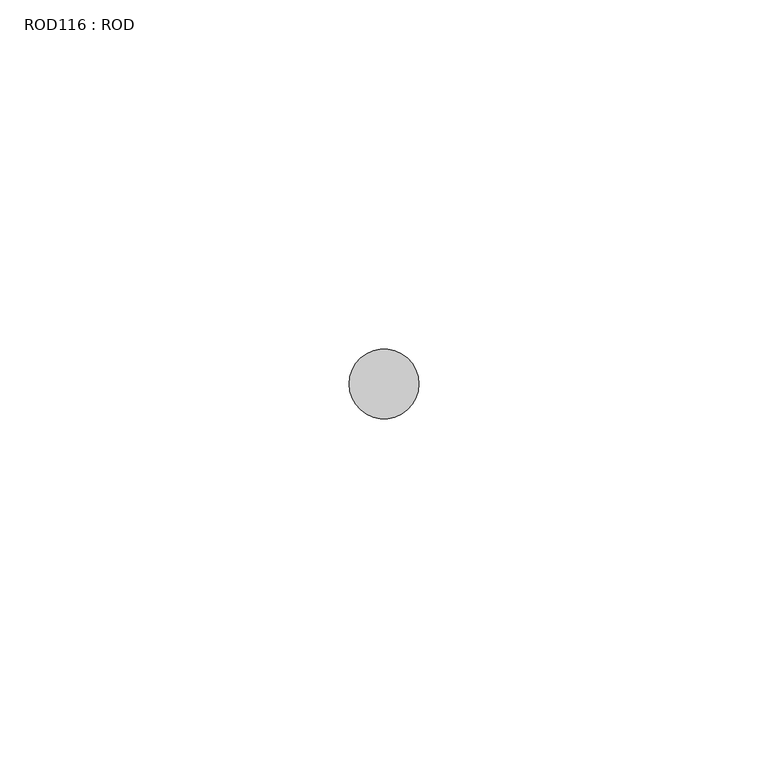
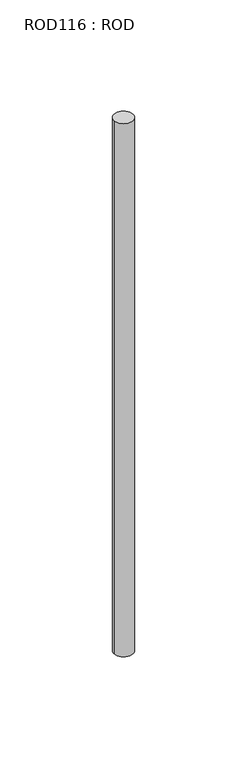
"""IFC4 building model written with IfcOpenShell, lengths in millimetres: proxy geometry, ROD116 : ROD."""

import ifcopenshell
import ifcopenshell.guid

model = None  # the IFC model being written
_history = None  # IfcOwnerHistory: only IFC2X3 demands one
_inside = {}  # id of a spatial element -> (the spatial element, [elements in it])
_under = {}  # id of a project, library or spatial element -> (it, [spatial elements below it])
_declared = {}  # id of a project -> (the project, [libraries it declares])
_typed = {}  # id of a type object -> (the type object, [elements of that type])
_made_of = {}  # id of a material, layer set ... -> (it, [elements and type objects made of it])


def new_model(schema):
    """Start an empty IFC model of exactly this schema.

    Asked for "IFC4X3", IfcOpenShell would pick the latest addendum, in which some entities
    have other attributes; the version numbers below select the first issue.
    IFC2X3 requires an IfcOwnerHistory on every rooted entity: one is made here for all.
    """
    global model, _history
    if schema == "IFC4X3":
        model = ifcopenshell.file(schema_version=(4, 3, 0, 0))
    else:
        model = ifcopenshell.file(schema=schema)
    _inside.clear()
    _under.clear()
    _declared.clear()
    _typed.clear()
    _made_of.clear()
    _history = None
    if model.schema == "IFC2X3":
        org = make("IfcOrganization", Name="unknown")
        user = make(
            "IfcPersonAndOrganization",
            ThePerson=make("IfcPerson", FamilyName="unknown"),
            TheOrganization=org,
        )
        app = make(
            "IfcApplication",
            ApplicationDeveloper=org,
            Version="unknown",
            ApplicationFullName="unknown",
            ApplicationIdentifier="unknown",
        )
        _history = make(
            "IfcOwnerHistory",
            OwningUser=user,
            OwningApplication=app,
            ChangeAction="ADDED",
            CreationDate=0,
        )
    return model


def make(cls, **values):
    """One entity of the class cls with the attributes given. An attribute that is None is left unset."""
    return model.create_entity(
        cls, **{name: value for name, value in values.items() if value is not None}
    )


def rooted(cls, **values):
    """An entity with a GlobalId (a new one), such as an element, a storey or a relation."""
    return make(cls, GlobalId=ifcopenshell.guid.new(), OwnerHistory=_history, **values)


def si_unit(unit_type, name, prefix=None):
    """IfcSIUnit, for example si_unit("LENGTHUNIT", "METRE", prefix="MILLI")."""
    return make("IfcSIUnit", UnitType=unit_type, Prefix=prefix, Name=name)


def assignment(units):
    """IfcUnitAssignment: the units of a project."""
    return None if units is None else make("IfcUnitAssignment", Units=units)


def point(xyz):
    """IfcCartesianPoint."""
    return None if xyz is None else make("IfcCartesianPoint", Coordinates=xyz)


def direction(xyz):
    """IfcDirection."""
    return None if xyz is None else make("IfcDirection", DirectionRatios=xyz)


def frame(location, z_axis=None, x_axis=None):
    """IfcAxis2Placement3D, a coordinate frame: its origin and axes. An axis left out is left unset."""
    return make(
        "IfcAxis2Placement3D",
        Location=point(location),
        Axis=direction(z_axis),
        RefDirection=direction(x_axis),
    )


def frame_2d(location, x_axis=None):
    """IfcAxis2Placement2D, a coordinate frame in the plane: its origin and x axis."""
    return make(
        "IfcAxis2Placement2D", Location=point(location), RefDirection=direction(x_axis)
    )


def origin():
    """The frame at (0, 0, 0) with its axes left unset."""
    return frame((0.0, 0.0, 0.0))


def place(relative_to, where):
    """IfcLocalPlacement: puts the frame where relative to a parent placement (None: the world)."""
    return make(
        "IfcLocalPlacement", PlacementRelTo=relative_to, RelativePlacement=where
    )


def context(
    kind, dimensions, precision=None, world=None, true_north=None, identifier=None
):
    """IfcGeometricRepresentationContext, for example the 3D "Model" context."""
    return make(
        "IfcGeometricRepresentationContext",
        ContextIdentifier=identifier,
        ContextType=kind,
        CoordinateSpaceDimension=dimensions,
        Precision=precision,
        WorldCoordinateSystem=world,
        TrueNorth=true_north,
    )


def project(units=None, contexts=None):
    """IfcProject with its units and contexts."""
    return rooted(
        "IfcProject",
        Name="project",
        RepresentationContexts=contexts,
        UnitsInContext=assignment(units),
    )


def spatial(cls, under=None, at=None, **own):
    """A site, building, storey or space (cls), placed at a placement, below another one or the project."""
    s = rooted(cls, ObjectPlacement=at, **own)
    if under is not None:
        _under.setdefault(under.id(), (under, []))[1].append(s)
    return s


def circle_curve(where, radius):
    """IfcCircle in the frame where."""
    return make("IfcCircle", Position=where, Radius=radius)


def trimmed(basis, trim1, trim2, sense, master):
    """IfcTrimmedCurve: the piece of a basis curve between two trims."""
    return make(
        "IfcTrimmedCurve",
        BasisCurve=basis,
        Trim1=trim1,
        Trim2=trim2,
        SenseAgreement=sense,
        MasterRepresentation=master,
    )


def segment(curve, same_sense, transition):
    """IfcCompositeCurveSegment."""
    return make(
        "IfcCompositeCurveSegment",
        Transition=transition,
        SameSense=same_sense,
        ParentCurve=curve,
    )


def composite_curve(segments, self_intersect=None):
    """IfcCompositeCurve: segments joined end to end."""
    return make("IfcCompositeCurve", Segments=segments, SelfIntersect=self_intersect)


def outline(outer, holes=None, kind="AREA"):
    """IfcArbitraryClosedProfileDef: a profile drawn as a closed curve; with holes, ...WithVoids."""
    if holes is None:
        return make("IfcArbitraryClosedProfileDef", ProfileType=kind, OuterCurve=outer)
    return make(
        "IfcArbitraryProfileDefWithVoids",
        ProfileType=kind,
        OuterCurve=outer,
        InnerCurves=holes,
    )


def extrude(swept, where, along, depth):
    """IfcExtrudedAreaSolid: the profile swept, set in the frame where, extruded along a direction by depth."""
    return make(
        "IfcExtrudedAreaSolid",
        SweptArea=swept,
        Position=where,
        ExtrudedDirection=direction(along),
        Depth=depth,
    )


def shape(context_of_items, identifier, shape_type, items):
    """IfcShapeRepresentation: the items that make up one representation, for example the "Body"."""
    return make(
        "IfcShapeRepresentation",
        ContextOfItems=context_of_items,
        RepresentationIdentifier=identifier,
        RepresentationType=shape_type,
        Items=items,
    )


def source(mapping_origin, context_of_items, identifier, shape_type, items):
    """IfcRepresentationMap: a shape defined once, which mapped items show again and again."""
    return make(
        "IfcRepresentationMap",
        MappingOrigin=mapping_origin,
        MappedRepresentation=shape(context_of_items, identifier, shape_type, items),
    )


def transform(
    local_origin,
    x_axis=None,
    y_axis=None,
    z_axis=None,
    scale=None,
    scale2=None,
    scale3=None,
    uniform=True,
):
    """IfcCartesianTransformationOperator3D, or its non-uniform kind. x_axis, y_axis, z_axis: its Axis1, 2, 3."""
    if uniform:
        return make(
            "IfcCartesianTransformationOperator3D",
            Axis1=direction(x_axis),
            Axis2=direction(y_axis),
            LocalOrigin=point(local_origin),
            Scale=scale,
            Axis3=direction(z_axis),
        )
    return make(
        "IfcCartesianTransformationOperator3DnonUniform",
        Axis1=direction(x_axis),
        Axis2=direction(y_axis),
        LocalOrigin=point(local_origin),
        Scale=scale,
        Axis3=direction(z_axis),
        Scale2=scale2,
        Scale3=scale3,
    )


def mapped(mapping_source, mapping_target):
    """IfcMappedItem: shows the shape of a source again, moved by a transform."""
    return make(
        "IfcMappedItem", MappingSource=mapping_source, MappingTarget=mapping_target
    )


def made_of(thing, what):
    """Note that an element or type object is made of a material, layer set ...; save() writes the relation."""
    if what is not None:
        _made_of.setdefault(what.id(), (what, []))[1].append(thing)
    return thing


def element(
    cls,
    number,
    at=None,
    inside=None,
    cuts=None,
    type_object=None,
    material=None,
    context=None,
    identifier="Body",
    shape_type=None,
    held_by="IfcProductDefinitionShape",
    body=None,
    shapes=None,
    **own,
):
    """One element of the class cls, such as IfcWall. Its Tag is "e" and its number.

    at: its placement. inside: the storey or other place that contains it. cuts: it is an
    opening in that element (IfcRelVoidsElement). A single representation is given by context,
    identifier, shape_type and body (its items); several are given by shapes. held_by: the class
    of the entity that holds the representations. save() writes the other relations.
    """
    e = rooted(cls, Tag="e%d" % number, ObjectPlacement=at, **own)
    if body is not None:
        shapes = [shape(context, identifier, shape_type, body)]
    if shapes is not None:
        e.Representation = make(held_by, Representations=shapes)
    if inside is not None:
        _inside.setdefault(inside.id(), (inside, []))[1].append(e)
    if cuts is not None:
        rooted(
            "IfcRelVoidsElement", RelatingBuildingElement=cuts, RelatedOpeningElement=e
        )
    if type_object is not None:
        _typed.setdefault(type_object.id(), (type_object, []))[1].append(e)
    return made_of(e, material)


def aggregate(whole, parts):
    """IfcRelAggregates: a whole, such as a stair, and the parts it consists of."""
    return rooted("IfcRelAggregates", RelatingObject=whole, RelatedObjects=parts)


def save(model, path):
    """Write the relations noted so far, then the file.

    IfcRelAggregates (storeys below a building ...), IfcRelContainedInSpatialStructure (elements
    in a storey), IfcRelDefinesByType, IfcRelAssociatesMaterial and IfcRelDeclares: one each for
    every whole, place, type object, material and project.
    """
    for whole, parts in _under.values():
        aggregate(whole, parts)
    for where, things in _inside.values():
        rooted(
            "IfcRelContainedInSpatialStructure",
            RelatedElements=things,
            RelatingStructure=where,
        )
    for kind, things in _typed.values():
        rooted("IfcRelDefinesByType", RelatedObjects=things, RelatingType=kind)
    for what, things in _made_of.values():
        rooted("IfcRelAssociatesMaterial", RelatedObjects=things, RelatingMaterial=what)
    for by, libraries in _declared.values():
        rooted("IfcRelDeclares", RelatingContext=by, RelatedDefinitions=libraries)
    model.write(path)


def rod116_rod_6d506902(model_context):
    return source(origin(), model_context, "Body", "SweptSolid", [
        extrude(outline(composite_curve([segment(trimmed(circle_curve(frame_2d((8399.7673324, -10268.1048728)), 5.0), [point((8394.7673324, -10268.1048728))], [point((8404.7673324, -10268.1048728))], False, "CARTESIAN"), True, "CONTINUOUS"), segment(trimmed(circle_curve(frame_2d((8399.7673324, -10268.1048728)), 5.0), [point((8404.7673324, -10268.1048728))], [point((8394.7673324, -10268.1048728))], False, "CARTESIAN"), True, "CONTINUOUS")], self_intersect=False)), frame((0.0, 0.0, -108.6608845), z_axis=(0.0, 0.0, 1.0), x_axis=(1.0, 0.0, 0.0)), (0.0, 0.0, 1.0), 298.9028972),
    ])


if __name__ == "__main__":
    model = new_model("IFC4")
    model_context = context("Model", 3, world=origin())
    ifc_project = project(units=[si_unit("LENGTHUNIT", "METRE", prefix="MILLI")], contexts=[model_context])
    site = spatial("IfcSite", under=ifc_project)
    building = spatial("IfcBuilding", under=site)
    placement = place(None, origin())
    rod116_rod_shape = rod116_rod_6d506902(model_context)
    element("IfcBuildingElementProxy", 1, Name="ROD116 : ROD", ObjectType="ROD116 : ROD", at=placement, inside=building, context=model_context, shape_type="MappedRepresentation", body=[
        mapped(rod116_rod_shape, transform((0.0, 0.0, 0.0), x_axis=(1.0, 0.0, 0.0), y_axis=(0.0, 1.0, 0.0), z_axis=(0.0, 0.0, 1.0))),
    ])
    save(model, "model.ifc")
